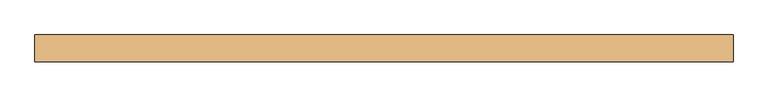
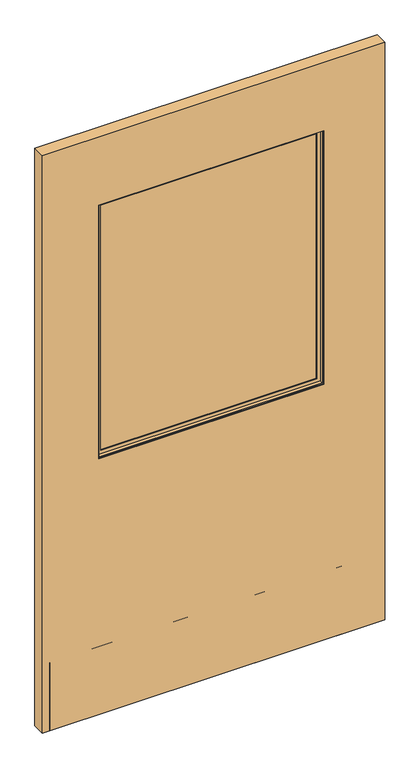
"""IFC4 building model written with IfcOpenShell, lengths in millimetres: door geometry."""

from ifc_helpers import new_model, si_unit, frame, origin, place, context, project, spatial, polyline, outline, extrude, faceted_brep, source, transform, mapped, element, save


def door_ef02eb0a(model_context):
    return source(origin(), model_context, "Body", "SolidModel", [
        extrude(outline(polyline([(389.6535674, 3.175), (389.6535674, -3.175), (-405.3664326, -3.175), (-405.3664326, 3.175), (389.6535674, 3.175)])), frame((0.0, 0.0, 968.7435027), z_axis=(0.0, 0.0, 1.0), x_axis=(1.0, 0.0, 0.0)), (0.0, 0.0, 1.0), 947.42),
        faceted_brep([(-389.4758536, -3.797467, 1900.2729238), (-389.4758536, -6.9755828, 1900.2729238), (-389.4758536, -6.9755828, 984.6340817), (-389.4758536, -3.797467, 984.6340817), (373.7629885, -6.9755828, 984.6340817), (373.7629885, -3.797467, 984.6340817), (386.4754516, -6.9755828, 971.9216185), (386.4754516, -6.9755828, 1912.9853869), (-402.1883168, -6.9755828, 1912.9853869), (-402.1883168, -6.9755828, 971.9216185), (373.7629885, -6.9755828, 1900.2729238), (373.7629885, -3.797467, 1900.2729238), (-405.3664326, -3.797467, 968.7435027), (-405.3664326, -3.797467, 1916.1635027), (389.6535674, -3.797467, 1916.1635027), (389.6535674, -3.797467, 968.7435027), (-405.3664326, -19.688046, 1916.1635027), (-405.3664326, -19.688046, 968.7435027), (389.6535674, -19.688046, 968.7435027), (389.6535674, -19.688046, 1916.1635027), (-402.1883168, -19.688046, 971.9216185), (-402.1883168, -19.688046, 1912.9853869), (386.4754516, -19.688046, 1912.9853869), (386.4754516, -19.688046, 971.9216185)], [[[0, 1, 2, 3]], [[3, 2, 4, 5]], [[6, 7, 8, 9], [2, 1, 10, 4]], [[5, 4, 10, 11]], [[12, 13, 14, 15], [5, 11, 0, 3]], [[16, 13, 12, 17]], [[17, 12, 15, 18]], [[18, 15, 14, 19]], [[18, 19, 16, 17], [20, 21, 22, 23]], [[8, 21, 20, 9]], [[9, 20, 23, 6]], [[6, 23, 22, 7]], [[11, 10, 1, 0]], [[19, 14, 13, 16]], [[7, 22, 21, 8]]]),
        faceted_brep([(-402.1883168, 19.688046, 1912.9853869), (-402.1883168, 6.9755828, 1912.9853869), (-402.1883168, 6.9755828, 971.9216185), (-402.1883168, 19.688046, 971.9216185), (386.4754516, 6.9755828, 971.9216185), (386.4754516, 19.688046, 971.9216185), (386.4754516, 6.9755828, 1912.9853869), (373.7629885, 6.9755828, 984.6340817), (373.7629885, 6.9755828, 1900.2729238), (-389.4758536, 6.9755828, 1900.2729238), (-389.4758536, 6.9755828, 984.6340817), (386.4754516, 19.688046, 1912.9853869), (-405.3664326, 19.688046, 968.7435027), (-405.3664326, 19.688046, 1916.1635027), (389.6535674, 19.688046, 1916.1635027), (389.6535674, 19.688046, 968.7435027), (-405.3664326, 3.797467, 1916.1635027), (-405.3664326, 3.797467, 968.7435027), (389.6535674, 3.797467, 968.7435027), (389.6535674, 3.797467, 1916.1635027), (-389.4758536, 3.797467, 984.6340817), (-389.4758536, 3.797467, 1900.2729238), (373.7629885, 3.797467, 1900.2729238), (373.7629885, 3.797467, 984.6340817)], [[[0, 1, 2, 3]], [[3, 2, 4, 5]], [[2, 1, 6, 4], [7, 8, 9, 10]], [[5, 4, 6, 11]], [[12, 13, 14, 15], [5, 11, 0, 3]], [[16, 13, 12, 17]], [[17, 12, 15, 18]], [[18, 15, 14, 19]], [[18, 19, 16, 17], [20, 21, 22, 23]], [[9, 21, 20, 10]], [[10, 20, 23, 7]], [[7, 23, 22, 8]], [[11, 6, 1, 0]], [[19, 14, 13, 16]], [[8, 22, 21, 9]]]),
        extrude(outline(polyline([(2170.1635027, 604.7564326), (2170.1635027, -604.7564326), (12.7, -604.7564326), (12.7, 604.7564326), (2170.1635027, 604.7564326)]), holes=[polyline([(1916.1635027, -405.3664326), (1916.1635027, 389.6535674), (968.7435027, 389.6535674), (968.7435027, -405.3664326), (1916.1635027, -405.3664326)])]), frame((0.0, -23.114, 0.0), z_axis=(0.0, 1.0, 0.0), x_axis=(0.0, 0.0, 1.0)), (0.0, 0.0, 1.0), 46.228),
        extrude(outline(polyline([(579.3564326, -9.8925062), (579.3564326, -11.4927062), (-579.3564326, -11.4927062), (-579.3564326, -9.8925062), (579.3564326, -9.8925062)])), frame((0.0, 0.0, 12.7), z_axis=(0.0, 0.0, 1.0), x_axis=(1.0, 0.0, 0.0)), (0.0, 0.0, 1.0), 254.0),
        extrude(outline(polyline([(579.3564326, -21.5634094), (579.3564326, -23.114), (-579.3564326, -23.114), (-579.3564326, -21.5634094), (579.3564326, -21.5634094)])), frame((0.0, 0.0, 12.7), z_axis=(0.0, 0.0, 1.0), x_axis=(1.0, 0.0, 0.0)), (0.0, 0.0, 1.0), 254.0),
    ])


if __name__ == "__main__":
    model = new_model("IFC4")
    model_context = context("Model", 3, world=origin())
    ifc_project = project(units=[si_unit("LENGTHUNIT", "METRE", prefix="MILLI")], contexts=[model_context])
    site = spatial("IfcSite", under=ifc_project)
    building = spatial("IfcBuilding", under=site)
    placement = place(None, origin())
    door_shape = door_ef02eb0a(model_context)
    element("IfcDoor", 1, at=placement, inside=building, context=model_context, shape_type="MappedRepresentation", body=[
        mapped(door_shape, transform((0.0, 0.0, 0.0), x_axis=(1.0, 0.0, 0.0), y_axis=(0.0, 1.0, 0.0), z_axis=(0.0, 0.0, 1.0))),
    ])
    save(model, "model.ifc")
